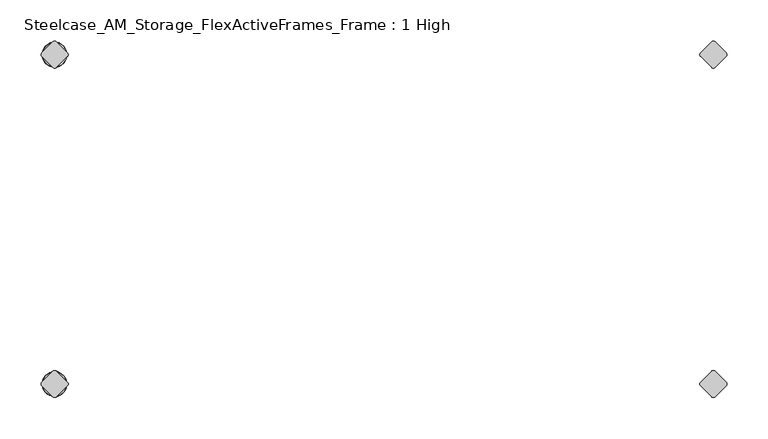
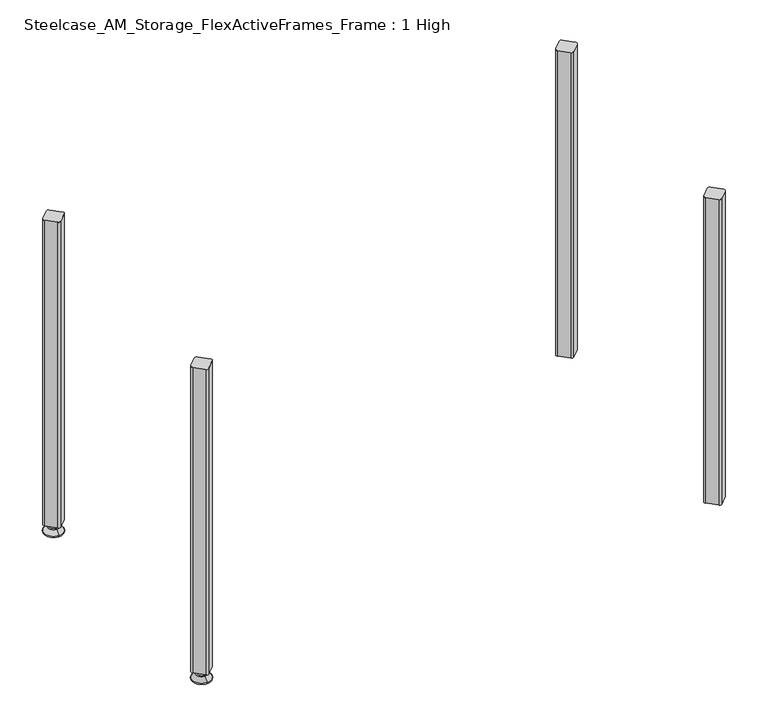
"""IFC4 building model written with IfcOpenShell, lengths in millimetres: furniture geometry, Steelcase_AM_Storage_FlexActiveFrames_Frame : 1 High."""

from ifc_helpers import new_model, si_unit, point, frame, frame_2d, origin, place, context, project, spatial, polyline, circle_curve, ellipse_curve, trimmed, segment, composite_curve, outline, extrude, source, transform, mapped, element, save
from ifc_brep_helpers import plane_surface, cylinder_surface, revolved_surface, advanced_brep


def steelcase_am_storage_flexactiveframes_frame_1_high_a90da591(model_context):
    return source(origin(), model_context, "Body", "SolidModel", [
        advanced_brep(
        [(0.0, -400.05, 15.9766), (0.0, -396.050341, 15.9766), (0.0, -404.049659, 15.9766), (0.0, -396.050341, 12.6000054), (0.0, -404.049659, 12.6000054), (0.0, -394.1898545, 12.6000074), (0.0, -405.9101455, 12.6000074), (0.0, -393.5548538, 11.9650074), (0.0, -406.5451462, 11.9650074), (0.0, -393.5548538, 9.0000124), (0.0, -406.5451462, 9.0000124), (0.0, -391.3078024, 9.0000124), (0.0, -408.7921976, 9.0000124), (0.0, -385.3439923, 2.3275608), (0.0, -414.7560077, 2.3275608), (0.0, -386.385399, 0.0), (0.0, -413.714601, 0.0), (0.0, -400.05, 0.0)],
        [
            (0, 1),
            (1, 2, circle_curve(frame((0.0, -400.05, 15.9766), z_axis=(0.0, 0.0, 1.0), x_axis=(0.0, 1.0, 0.0)), 3.999659)),
            (2, 0),
            (2, 1, circle_curve(frame((0.0, -400.05, 15.9766), z_axis=(0.0, 0.0, 1.0), x_axis=(0.0, 1.0, 0.0)), 3.999659)),
            (1, 3),
            (3, 4, circle_curve(frame((0.0, -400.05, 12.6000054), z_axis=(0.0, 0.0, 1.0), x_axis=(0.0, 1.0, 0.0)), 3.999659)),
            (4, 2),
            (4, 3, circle_curve(frame((0.0, -400.05, 12.6000054), z_axis=(0.0, 0.0, 1.0), x_axis=(0.0, 1.0, 0.0)), 3.999659)),
            (3, 5),
            (5, 6, circle_curve(frame((0.0, -400.05, 12.6000074), z_axis=(0.0, 0.0, 1.0), x_axis=(0.0, 1.0, 0.0)), 5.8601455)),
            (6, 4),
            (6, 5, circle_curve(frame((0.0, -400.05, 12.6000074), z_axis=(0.0, 0.0, 1.0), x_axis=(0.0, 1.0, 0.0)), 5.8601455)),
            (5, 7, circle_curve(frame((0.0, -394.1898538, 11.9650074), z_axis=(-1.0, 0.0, 0.0), x_axis=(0.0, -1.0, 0.0)), 0.635)),
            (7, 8, circle_curve(frame((0.0, -400.05, 11.9650074), z_axis=(0.0, 0.0, 1.0), x_axis=(0.0, 1.0, 0.0)), 6.4951462)),
            (8, 6, circle_curve(frame((0.0, -405.9101462, 11.9650074), z_axis=(-1.0, 0.0, 0.0), x_axis=(0.0, 1.0, 0.0)), 0.635)),
            (8, 7, circle_curve(frame((0.0, -400.05, 11.9650074), z_axis=(0.0, 0.0, 1.0), x_axis=(0.0, 1.0, 0.0)), 6.4951462)),
            (7, 9),
            (9, 10, circle_curve(frame((0.0, -400.05, 9.0000124), z_axis=(0.0, 0.0, 1.0), x_axis=(0.0, 1.0, 0.0)), 6.4951462)),
            (10, 8),
            (10, 9, circle_curve(frame((0.0, -400.05, 9.0000124), z_axis=(0.0, 0.0, 1.0), x_axis=(0.0, 1.0, 0.0)), 6.4951462)),
            (9, 11),
            (11, 12, circle_curve(frame((0.0, -400.05, 9.0000124), z_axis=(0.0, 0.0, 1.0), x_axis=(0.0, 1.0, 0.0)), 8.7421976)),
            (12, 10),
            (12, 11, circle_curve(frame((0.0, -400.05, 9.0000124), z_axis=(0.0, 0.0, 1.0), x_axis=(0.0, 1.0, 0.0)), 8.7421976)),
            (11, 13),
            (13, 14, circle_curve(frame((0.0, -400.05, 2.3275608), z_axis=(0.0, 0.0, 1.0), x_axis=(0.0, 1.0, 0.0)), 14.7060077)),
            (14, 12),
            (14, 13, circle_curve(frame((0.0, -400.05, 2.3275608), z_axis=(0.0, 0.0, 1.0), x_axis=(0.0, 1.0, 0.0)), 14.7060077)),
            (13, 15, circle_curve(frame((0.0, -386.385399, 1.3967556), z_axis=(-1.0, 0.0, 0.0), x_axis=(0.0, -1.0, 0.0)), 1.3967556)),
            (15, 16, circle_curve(frame((0.0, -400.05, 0.0), z_axis=(0.0, 0.0, 1.0), x_axis=(0.0, 1.0, 0.0)), 13.664601)),
            (16, 14, circle_curve(frame((0.0, -413.714601, 1.3967556), z_axis=(-1.0, 0.0, 0.0), x_axis=(0.0, 1.0, 0.0)), 1.3967556)),
            (16, 15, circle_curve(frame((0.0, -400.05, 0.0), z_axis=(0.0, 0.0, 1.0), x_axis=(0.0, 1.0, 0.0)), 13.664601)),
            (15, 17),
            (17, 16),
        ],
        [
            plane_surface(frame((0.0, -400.05, 15.9766), z_axis=(0.0, 0.0, 1.0), x_axis=(0.0, 1.0, 0.0))),
            cylinder_surface(frame((0.0, -400.05, -4.132372), z_axis=(0.0, 0.0, 1.0), x_axis=(0.0, 1.0, 0.0)), 3.999659),
            plane_surface(frame((0.0, -400.05, 12.6000074), z_axis=(0.0, 0.0, 1.0), x_axis=(0.0, 1.0, 0.0))),
            revolved_surface(trimmed(ellipse_curve(frame((0.0, -394.1898538, 11.9650074), z_axis=(1.0, 0.0, 0.0), x_axis=(0.0, -1.0, 0.0)), 0.635, 0.635), [point((0.0, -393.5548538, 11.9650074))], [point((0.0, -394.1898545, 12.6000074))], True, "CARTESIAN"), (0.0, -400.05, -4.132372), (0.0, 0.0, 1.0)),
            cylinder_surface(frame((0.0, -400.05, -4.132372), z_axis=(0.0, 0.0, 1.0), x_axis=(0.0, 1.0, 0.0)), 6.4951462),
            plane_surface(frame((0.0, -400.05, 9.0000124), z_axis=(0.0, 0.0, 1.0), x_axis=(0.0, 1.0, 0.0))),
            revolved_surface(polyline([(0.0, -385.3439923, 2.3275608), (0.0, -391.3078024, 9.0000124)]), (0.0, -400.05, -4.132372), (0.0, 0.0, 1.0)),
            revolved_surface(trimmed(ellipse_curve(frame((0.0, -386.385399, 1.3967556), z_axis=(1.0, 0.0, 0.0), x_axis=(0.0, -1.0, 0.0)), 1.3967556, 1.3967556), [point((0.0, -386.385399, 0.0))], [point((0.0, -385.3439923, 2.3275608))], True, "CARTESIAN"), (0.0, -400.05, -4.132372), (0.0, 0.0, 1.0)),
            plane_surface(frame((0.0, -400.05, 0.0), z_axis=(0.0, 0.0, -1.0), x_axis=(0.0, 1.0, 0.0))),
        ],
        [
            (0, [[1, 2, 3]]),
            (0, [[-3, 4, -1]]),
            (1, [[-2, 5, 6, 7]]),
            (1, [[-4, -7, 8, -5]]),
            (2, [[-6, 9, 10, 11]]),
            (2, [[-8, -11, 12, -9]]),
            (3, [[-10, 13, 14, 15]]),
            (3, [[-12, -15, 16, -13]]),
            (4, [[-14, 17, 18, 19]]),
            (4, [[-16, -19, 20, -17]]),
            (5, [[-18, 21, 22, 23]]),
            (5, [[-20, -23, 24, -21]]),
            (6, [[-22, 25, 26, 27]]),
            (6, [[-24, -27, 28, -25]]),
            (7, [[-26, 29, 30, 31]]),
            (7, [[-28, -31, 32, -29]]),
            (8, [[-30, 33, 34]]),
            (8, [[-32, -34, -33]]),
        ],
    ),
        advanced_brep(
        [(0.0, 3.999659, 15.9766), (0.0, -3.999659, 15.9766), (0.0, 0.0, 15.9766), (0.0, 3.999659, 12.6000054), (0.0, -3.999659, 12.6000054), (0.0, 5.8601455, 12.6000054), (0.0, -5.8601455, 12.6000054), (0.0, 6.4951462, 11.9650074), (0.0, -6.4951462, 11.9650074), (0.0, 6.4951462, 9.0000124), (0.0, -6.4951462, 9.0000124), (0.0, 8.7421976, 9.0000124), (0.0, -8.7421976, 9.0000124), (0.0, 14.7060077, 2.3275608), (0.0, -14.7060077, 2.3275608), (0.0, 13.664601, 0.0), (0.0, -13.664601, 0.0), (0.0, 0.0, 0.0)],
        [
            (0, 1, circle_curve(frame((0.0, 0.0, 15.9766), z_axis=(0.0, 0.0, 1.0), x_axis=(0.0, -1.0, 0.0)), 3.999659)),
            (1, 2),
            (2, 0),
            (1, 0, circle_curve(frame((0.0, 0.0, 15.9766), z_axis=(0.0, 0.0, 1.0), x_axis=(0.0, -1.0, 0.0)), 3.999659)),
            (3, 4, circle_curve(frame((0.0, 0.0, 12.6000054), z_axis=(0.0, 0.0, 1.0), x_axis=(0.0, -1.0, 0.0)), 3.999659)),
            (4, 1),
            (0, 3),
            (4, 3, circle_curve(frame((0.0, 0.0, 12.6000054), z_axis=(0.0, 0.0, 1.0), x_axis=(0.0, -1.0, 0.0)), 3.999659)),
            (5, 6, circle_curve(frame((0.0, 0.0, 12.6000054), z_axis=(0.0, 0.0, 1.0), x_axis=(0.0, -1.0, 0.0)), 5.8601455)),
            (6, 4),
            (3, 5),
            (6, 5, circle_curve(frame((0.0, 0.0, 12.6000054), z_axis=(0.0, 0.0, 1.0), x_axis=(0.0, -1.0, 0.0)), 5.8601455)),
            (7, 8, circle_curve(frame((0.0, 0.0, 11.9650074), z_axis=(0.0, 0.0, 1.0), x_axis=(0.0, -1.0, 0.0)), 6.4951462)),
            (8, 6, circle_curve(frame((0.0, -5.8601462, 11.9650074), z_axis=(-1.0, 0.0, 0.0), x_axis=(0.0, 1.0, 0.0)), 0.635)),
            (5, 7, circle_curve(frame((0.0, 5.8601462, 11.9650074), z_axis=(-1.0, 0.0, 0.0), x_axis=(0.0, -1.0, 0.0)), 0.635)),
            (8, 7, circle_curve(frame((0.0, 0.0, 11.9650074), z_axis=(0.0, 0.0, 1.0), x_axis=(0.0, -1.0, 0.0)), 6.4951462)),
            (9, 10, circle_curve(frame((0.0, 0.0, 9.0000124), z_axis=(0.0, 0.0, 1.0), x_axis=(0.0, -1.0, 0.0)), 6.4951462)),
            (10, 8),
            (7, 9),
            (10, 9, circle_curve(frame((0.0, 0.0, 9.0000124), z_axis=(0.0, 0.0, 1.0), x_axis=(0.0, -1.0, 0.0)), 6.4951462)),
            (11, 12, circle_curve(frame((0.0, 0.0, 9.0000124), z_axis=(0.0, 0.0, 1.0), x_axis=(0.0, -1.0, 0.0)), 8.7421976)),
            (12, 10),
            (9, 11),
            (12, 11, circle_curve(frame((0.0, 0.0, 9.0000124), z_axis=(0.0, 0.0, 1.0), x_axis=(0.0, -1.0, 0.0)), 8.7421976)),
            (13, 14, circle_curve(frame((0.0, 0.0, 2.3275608), z_axis=(0.0, 0.0, 1.0), x_axis=(0.0, -1.0, 0.0)), 14.7060077)),
            (14, 12),
            (11, 13),
            (14, 13, circle_curve(frame((0.0, 0.0, 2.3275608), z_axis=(0.0, 0.0, 1.0), x_axis=(0.0, -1.0, 0.0)), 14.7060077)),
            (15, 16, circle_curve(frame((0.0, 0.0, 0.0), z_axis=(0.0, 0.0, 1.0), x_axis=(0.0, -1.0, 0.0)), 13.664601)),
            (16, 14, circle_curve(frame((0.0, -13.664601, 1.3967556), z_axis=(-1.0, 0.0, 0.0), x_axis=(0.0, 1.0, 0.0)), 1.3967556)),
            (13, 15, circle_curve(frame((0.0, 13.664601, 1.3967556), z_axis=(-1.0, 0.0, 0.0), x_axis=(0.0, -1.0, 0.0)), 1.3967556)),
            (16, 15, circle_curve(frame((0.0, 0.0, 0.0), z_axis=(0.0, 0.0, 1.0), x_axis=(0.0, -1.0, 0.0)), 13.664601)),
            (17, 16),
            (15, 17),
        ],
        [
            plane_surface(frame((0.0, 0.0, 15.9766), z_axis=(0.0, 0.0, 1.0), x_axis=(0.0, -1.0, 0.0))),
            cylinder_surface(frame((0.0, 0.0, -4.132372), z_axis=(0.0, 0.0, -1.0), x_axis=(0.0, -1.0, 0.0)), 3.999659),
            plane_surface(frame((0.0, 0.0, 12.6000054), z_axis=(0.0, 0.0, 1.0), x_axis=(0.0, -1.0, 0.0))),
            revolved_surface(trimmed(ellipse_curve(frame((0.0, -5.8601462, 11.9650074), z_axis=(1.0, 0.0, 0.0), x_axis=(0.0, 1.0, 0.0)), 0.635, 0.635), [point((0.0, -5.8601455, 12.6000074))], [point((0.0, -6.4951462, 11.9650074))], True, "CARTESIAN"), (0.0, 0.0, -4.132372), (0.0, 0.0, -1.0)),
            cylinder_surface(frame((0.0, 0.0, -4.132372), z_axis=(0.0, 0.0, -1.0), x_axis=(0.0, -1.0, 0.0)), 6.4951462),
            plane_surface(frame((0.0, 0.0, 9.0000124), z_axis=(0.0, 0.0, 1.0), x_axis=(0.0, -1.0, 0.0))),
            revolved_surface(polyline([(0.0, -8.7421976, 9.0000124), (0.0, -14.7060077, 2.3275608)]), (0.0, 0.0, -4.132372), (0.0, 0.0, -1.0)),
            revolved_surface(trimmed(ellipse_curve(frame((0.0, -13.664601, 1.3967556), z_axis=(1.0, 0.0, 0.0), x_axis=(0.0, 1.0, 0.0)), 1.3967556, 1.3967556), [point((0.0, -14.7060077, 2.3275608))], [point((0.0, -13.664601, 0.0))], True, "CARTESIAN"), (0.0, 0.0, -4.132372), (0.0, 0.0, -1.0)),
            plane_surface(frame((0.0, 0.0, 0.0), z_axis=(0.0, 0.0, -1.0), x_axis=(0.0, -1.0, 0.0))),
        ],
        [
            (0, [[1, 2, 3]]),
            (0, [[4, -3, -2]]),
            (1, [[5, 6, -1, 7]]),
            (1, [[8, -7, -4, -6]]),
            (2, [[9, 10, -5, 11]]),
            (2, [[12, -11, -8, -10]]),
            (3, [[13, 14, -9, 15]]),
            (3, [[16, -15, -12, -14]]),
            (4, [[17, 18, -13, 19]]),
            (4, [[20, -19, -16, -18]]),
            (5, [[21, 22, -17, 23]]),
            (5, [[24, -23, -20, -22]]),
            (6, [[25, 26, -21, 27]]),
            (6, [[28, -27, -24, -26]]),
            (7, [[29, 30, -25, 31]]),
            (7, [[32, -31, -28, -30]]),
            (8, [[33, -29, 34]]),
            (8, [[-34, -32, -33]]),
        ],
    ),
        extrude(outline(composite_curve([segment(polyline([(-2.245064, -15.4326055), (-15.4326055, -2.245064)]), True, "CONTINUOUS"), segment(trimmed(circle_curve(frame_2d((-13.1875415, 0.0)), 3.175), [point((-15.4326055, -2.245064))], [point((-15.4326055, 2.245064))], False, "CARTESIAN"), True, "CONTINUOUS"), segment(polyline([(-15.4326055, 2.245064), (-2.245064, 15.4326055)]), True, "CONTINUOUS"), segment(trimmed(circle_curve(frame_2d((0.0, 13.1875415)), 3.175), [point((-2.245064, 15.4326055))], [point((2.245064, 15.4326055))], False, "CARTESIAN"), True, "CONTINUOUS"), segment(polyline([(2.245064, 15.4326055), (15.4326055, 2.245064)]), True, "CONTINUOUS"), segment(trimmed(circle_curve(frame_2d((13.1875415, 0.0)), 3.175), [point((15.4326055, 2.245064))], [point((15.4326055, -2.245064))], False, "CARTESIAN"), True, "CONTINUOUS"), segment(polyline([(15.4326055, -2.245064), (2.245064, -15.4326055)]), True, "CONTINUOUS"), segment(trimmed(circle_curve(frame_2d((0.0, -13.1875415)), 3.175), [point((2.245064, -15.4326055))], [point((-2.245064, -15.4326055))], False, "CARTESIAN"), True, "CONTINUOUS")], self_intersect=False)), frame((0.0, 0.0, 15.9766), z_axis=(0.0, 0.0, 1.0), x_axis=(1.0, 0.0, 0.0)), (0.0, 0.0, 1.0), 504.317),
        extrude(outline(composite_curve([segment(trimmed(circle_curve(frame_2d((800.1, -13.1875415)), 3.175), [point((802.345064, -15.4326055))], [point((797.854936, -15.4326055))], False, "CARTESIAN"), True, "CONTINUOUS"), segment(polyline([(797.854936, -15.4326055), (784.6673945, -2.245064)]), True, "CONTINUOUS"), segment(trimmed(circle_curve(frame_2d((786.9124585, 0.0)), 3.175), [point((784.6673945, -2.245064))], [point((784.6673945, 2.245064))], False, "CARTESIAN"), True, "CONTINUOUS"), segment(polyline([(784.6673945, 2.245064), (797.854936, 15.4326055)]), True, "CONTINUOUS"), segment(trimmed(circle_curve(frame_2d((800.1, 13.1875415)), 3.175), [point((797.854936, 15.4326055))], [point((802.345064, 15.4326055))], False, "CARTESIAN"), True, "CONTINUOUS"), segment(polyline([(802.345064, 15.4326055), (815.5326055, 2.245064)]), True, "CONTINUOUS"), segment(trimmed(circle_curve(frame_2d((813.2875415, 0.0)), 3.175), [point((815.5326055, 2.245064))], [point((815.5326055, -2.245064))], False, "CARTESIAN"), True, "CONTINUOUS"), segment(polyline([(815.5326055, -2.245064), (802.345064, -15.4326055)]), True, "CONTINUOUS")], self_intersect=False)), frame((0.0, 0.0, 15.9766), z_axis=(0.0, 0.0, 1.0), x_axis=(1.0, 0.0, 0.0)), (0.0, 0.0, 1.0), 504.317),
        extrude(outline(composite_curve([segment(polyline([(802.345064, -384.6173945), (815.5326055, -397.804936)]), True, "CONTINUOUS"), segment(trimmed(circle_curve(frame_2d((813.2875415, -400.05)), 3.175), [point((815.5326055, -397.804936))], [point((815.5326055, -402.295064))], False, "CARTESIAN"), True, "CONTINUOUS"), segment(polyline([(815.5326055, -402.295064), (802.345064, -415.4826055)]), True, "CONTINUOUS"), segment(trimmed(circle_curve(frame_2d((800.1, -413.2375415)), 3.175), [point((802.345064, -415.4826055))], [point((797.854936, -415.4826055))], False, "CARTESIAN"), True, "CONTINUOUS"), segment(polyline([(797.854936, -415.4826055), (784.6673945, -402.295064)]), True, "CONTINUOUS"), segment(trimmed(circle_curve(frame_2d((786.9124585, -400.05)), 3.175), [point((784.6673945, -402.295064))], [point((784.6673945, -397.804936))], False, "CARTESIAN"), True, "CONTINUOUS"), segment(polyline([(784.6673945, -397.804936), (797.854936, -384.6173945)]), True, "CONTINUOUS"), segment(trimmed(circle_curve(frame_2d((800.1, -386.8624585)), 3.175), [point((797.854936, -384.6173945))], [point((802.345064, -384.6173945))], False, "CARTESIAN"), True, "CONTINUOUS")], self_intersect=False)), frame((0.0, 0.0, 15.9766), z_axis=(0.0, 0.0, 1.0), x_axis=(1.0, 0.0, 0.0)), (0.0, 0.0, 1.0), 504.317),
        extrude(outline(composite_curve([segment(trimmed(circle_curve(frame_2d((0.0, -386.8624585)), 3.175), [point((-2.245064, -384.6173945))], [point((2.245064, -384.6173945))], False, "CARTESIAN"), True, "CONTINUOUS"), segment(polyline([(2.245064, -384.6173945), (15.4326055, -397.804936)]), True, "CONTINUOUS"), segment(trimmed(circle_curve(frame_2d((13.1875415, -400.05)), 3.175), [point((15.4326055, -397.804936))], [point((15.4326055, -402.295064))], False, "CARTESIAN"), True, "CONTINUOUS"), segment(polyline([(15.4326055, -402.295064), (2.245064, -415.4826055)]), True, "CONTINUOUS"), segment(trimmed(circle_curve(frame_2d((0.0, -413.2375415)), 3.175), [point((2.245064, -415.4826055))], [point((-2.245064, -415.4826055))], False, "CARTESIAN"), True, "CONTINUOUS"), segment(polyline([(-2.245064, -415.4826055), (-15.4326055, -402.295064)]), True, "CONTINUOUS"), segment(trimmed(circle_curve(frame_2d((-13.1875415, -400.05)), 3.175), [point((-15.4326055, -402.295064))], [point((-15.4326055, -397.804936))], False, "CARTESIAN"), True, "CONTINUOUS"), segment(polyline([(-15.4326055, -397.804936), (-2.245064, -384.6173945)]), True, "CONTINUOUS")], self_intersect=False)), frame((0.0, 0.0, 15.9766), z_axis=(0.0, 0.0, 1.0), x_axis=(1.0, 0.0, 0.0)), (0.0, 0.0, 1.0), 504.317),
    ])


if __name__ == "__main__":
    model = new_model("IFC4")
    model_context = context("Model", 3, world=origin())
    ifc_project = project(units=[si_unit("LENGTHUNIT", "METRE", prefix="MILLI")], contexts=[model_context])
    site = spatial("IfcSite", under=ifc_project)
    building = spatial("IfcBuilding", under=site)
    placement = place(None, origin())
    steelcase_am_storage_flexactiveframes_frame_1_high_shape = steelcase_am_storage_flexactiveframes_frame_1_high_a90da591(model_context)
    element("IfcFurniture", 1, ObjectType="Steelcase_AM_Storage_FlexActiveFrames_Frame : 1 High", at=placement, inside=building, context=model_context, shape_type="MappedRepresentation", body=[
        mapped(steelcase_am_storage_flexactiveframes_frame_1_high_shape, transform((0.0, 0.0, 0.0), x_axis=(1.0, 0.0, 0.0), y_axis=(0.0, 1.0, 0.0), z_axis=(0.0, 0.0, 1.0))),
    ])
    save(model, "model.ifc")
